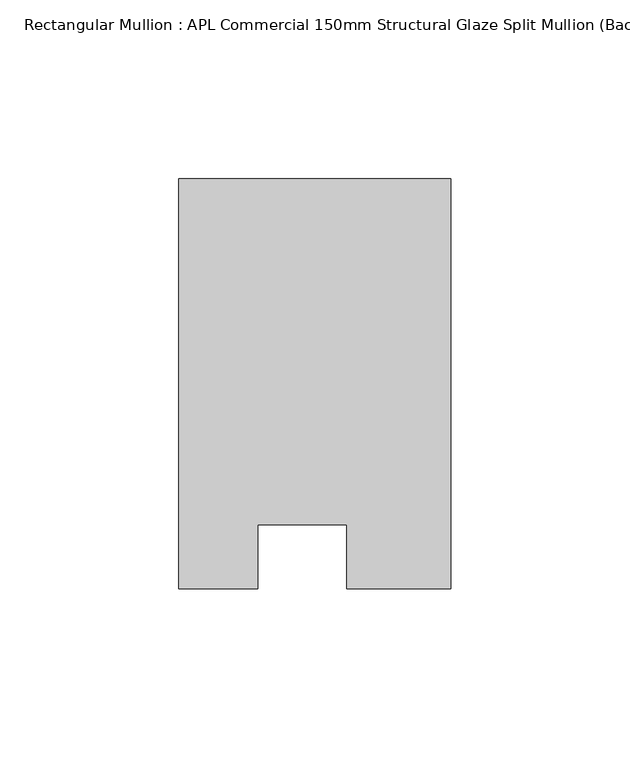
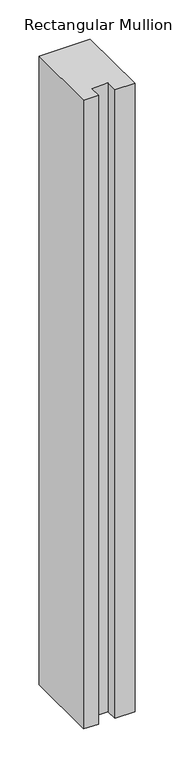
"""IFC4 building model written with IfcOpenShell, lengths in millimetres: member geometry, Rectangular Mullion : APL Commercial 150mm Structural Glaze Split Mullion (Back)."""

import ifcopenshell
import ifcopenshell.guid

model = None  # the IFC model being written
_history = None  # IfcOwnerHistory: only IFC2X3 demands one
_inside = {}  # id of a spatial element -> (the spatial element, [elements in it])
_under = {}  # id of a project, library or spatial element -> (it, [spatial elements below it])
_declared = {}  # id of a project -> (the project, [libraries it declares])
_typed = {}  # id of a type object -> (the type object, [elements of that type])
_made_of = {}  # id of a material, layer set ... -> (it, [elements and type objects made of it])


def new_model(schema):
    """Start an empty IFC model of exactly this schema.

    Asked for "IFC4X3", IfcOpenShell would pick the latest addendum, in which some entities
    have other attributes; the version numbers below select the first issue.
    IFC2X3 requires an IfcOwnerHistory on every rooted entity: one is made here for all.
    """
    global model, _history
    if schema == "IFC4X3":
        model = ifcopenshell.file(schema_version=(4, 3, 0, 0))
    else:
        model = ifcopenshell.file(schema=schema)
    _inside.clear()
    _under.clear()
    _declared.clear()
    _typed.clear()
    _made_of.clear()
    _history = None
    if model.schema == "IFC2X3":
        org = make("IfcOrganization", Name="unknown")
        user = make(
            "IfcPersonAndOrganization",
            ThePerson=make("IfcPerson", FamilyName="unknown"),
            TheOrganization=org,
        )
        app = make(
            "IfcApplication",
            ApplicationDeveloper=org,
            Version="unknown",
            ApplicationFullName="unknown",
            ApplicationIdentifier="unknown",
        )
        _history = make(
            "IfcOwnerHistory",
            OwningUser=user,
            OwningApplication=app,
            ChangeAction="ADDED",
            CreationDate=0,
        )
    return model


def make(cls, **values):
    """One entity of the class cls with the attributes given. An attribute that is None is left unset."""
    return model.create_entity(
        cls, **{name: value for name, value in values.items() if value is not None}
    )


def rooted(cls, **values):
    """An entity with a GlobalId (a new one), such as an element, a storey or a relation."""
    return make(cls, GlobalId=ifcopenshell.guid.new(), OwnerHistory=_history, **values)


def si_unit(unit_type, name, prefix=None):
    """IfcSIUnit, for example si_unit("LENGTHUNIT", "METRE", prefix="MILLI")."""
    return make("IfcSIUnit", UnitType=unit_type, Prefix=prefix, Name=name)


def assignment(units):
    """IfcUnitAssignment: the units of a project."""
    return None if units is None else make("IfcUnitAssignment", Units=units)


def point(xyz):
    """IfcCartesianPoint."""
    return None if xyz is None else make("IfcCartesianPoint", Coordinates=xyz)


def direction(xyz):
    """IfcDirection."""
    return None if xyz is None else make("IfcDirection", DirectionRatios=xyz)


def frame(location, z_axis=None, x_axis=None):
    """IfcAxis2Placement3D, a coordinate frame: its origin and axes. An axis left out is left unset."""
    return make(
        "IfcAxis2Placement3D",
        Location=point(location),
        Axis=direction(z_axis),
        RefDirection=direction(x_axis),
    )


def origin():
    """The frame at (0, 0, 0) with its axes left unset."""
    return frame((0.0, 0.0, 0.0))


def place(relative_to, where):
    """IfcLocalPlacement: puts the frame where relative to a parent placement (None: the world)."""
    return make(
        "IfcLocalPlacement", PlacementRelTo=relative_to, RelativePlacement=where
    )


def context(
    kind, dimensions, precision=None, world=None, true_north=None, identifier=None
):
    """IfcGeometricRepresentationContext, for example the 3D "Model" context."""
    return make(
        "IfcGeometricRepresentationContext",
        ContextIdentifier=identifier,
        ContextType=kind,
        CoordinateSpaceDimension=dimensions,
        Precision=precision,
        WorldCoordinateSystem=world,
        TrueNorth=true_north,
    )


def project(units=None, contexts=None):
    """IfcProject with its units and contexts."""
    return rooted(
        "IfcProject",
        Name="project",
        RepresentationContexts=contexts,
        UnitsInContext=assignment(units),
    )


def spatial(cls, under=None, at=None, **own):
    """A site, building, storey or space (cls), placed at a placement, below another one or the project."""
    s = rooted(cls, ObjectPlacement=at, **own)
    if under is not None:
        _under.setdefault(under.id(), (under, []))[1].append(s)
    return s


def polyline(points):
    """IfcPolyline through the points."""
    return make("IfcPolyline", Points=[point(p) for p in points])


def outline(outer, holes=None, kind="AREA"):
    """IfcArbitraryClosedProfileDef: a profile drawn as a closed curve; with holes, ...WithVoids."""
    if holes is None:
        return make("IfcArbitraryClosedProfileDef", ProfileType=kind, OuterCurve=outer)
    return make(
        "IfcArbitraryProfileDefWithVoids",
        ProfileType=kind,
        OuterCurve=outer,
        InnerCurves=holes,
    )


def extrude(swept, where, along, depth):
    """IfcExtrudedAreaSolid: the profile swept, set in the frame where, extruded along a direction by depth."""
    return make(
        "IfcExtrudedAreaSolid",
        SweptArea=swept,
        Position=where,
        ExtrudedDirection=direction(along),
        Depth=depth,
    )


def shape(context_of_items, identifier, shape_type, items):
    """IfcShapeRepresentation: the items that make up one representation, for example the "Body"."""
    return make(
        "IfcShapeRepresentation",
        ContextOfItems=context_of_items,
        RepresentationIdentifier=identifier,
        RepresentationType=shape_type,
        Items=items,
    )


def source(mapping_origin, context_of_items, identifier, shape_type, items):
    """IfcRepresentationMap: a shape defined once, which mapped items show again and again."""
    return make(
        "IfcRepresentationMap",
        MappingOrigin=mapping_origin,
        MappedRepresentation=shape(context_of_items, identifier, shape_type, items),
    )


def transform(
    local_origin,
    x_axis=None,
    y_axis=None,
    z_axis=None,
    scale=None,
    scale2=None,
    scale3=None,
    uniform=True,
):
    """IfcCartesianTransformationOperator3D, or its non-uniform kind. x_axis, y_axis, z_axis: its Axis1, 2, 3."""
    if uniform:
        return make(
            "IfcCartesianTransformationOperator3D",
            Axis1=direction(x_axis),
            Axis2=direction(y_axis),
            LocalOrigin=point(local_origin),
            Scale=scale,
            Axis3=direction(z_axis),
        )
    return make(
        "IfcCartesianTransformationOperator3DnonUniform",
        Axis1=direction(x_axis),
        Axis2=direction(y_axis),
        LocalOrigin=point(local_origin),
        Scale=scale,
        Axis3=direction(z_axis),
        Scale2=scale2,
        Scale3=scale3,
    )


def mapped(mapping_source, mapping_target):
    """IfcMappedItem: shows the shape of a source again, moved by a transform."""
    return make(
        "IfcMappedItem", MappingSource=mapping_source, MappingTarget=mapping_target
    )


def made_of(thing, what):
    """Note that an element or type object is made of a material, layer set ...; save() writes the relation."""
    if what is not None:
        _made_of.setdefault(what.id(), (what, []))[1].append(thing)
    return thing


def element(
    cls,
    number,
    at=None,
    inside=None,
    cuts=None,
    type_object=None,
    material=None,
    context=None,
    identifier="Body",
    shape_type=None,
    held_by="IfcProductDefinitionShape",
    body=None,
    shapes=None,
    **own,
):
    """One element of the class cls, such as IfcWall. Its Tag is "e" and its number.

    at: its placement. inside: the storey or other place that contains it. cuts: it is an
    opening in that element (IfcRelVoidsElement). A single representation is given by context,
    identifier, shape_type and body (its items); several are given by shapes. held_by: the class
    of the entity that holds the representations. save() writes the other relations.
    """
    e = rooted(cls, Tag="e%d" % number, ObjectPlacement=at, **own)
    if body is not None:
        shapes = [shape(context, identifier, shape_type, body)]
    if shapes is not None:
        e.Representation = make(held_by, Representations=shapes)
    if inside is not None:
        _inside.setdefault(inside.id(), (inside, []))[1].append(e)
    if cuts is not None:
        rooted(
            "IfcRelVoidsElement", RelatingBuildingElement=cuts, RelatedOpeningElement=e
        )
    if type_object is not None:
        _typed.setdefault(type_object.id(), (type_object, []))[1].append(e)
    return made_of(e, material)


def aggregate(whole, parts):
    """IfcRelAggregates: a whole, such as a stair, and the parts it consists of."""
    return rooted("IfcRelAggregates", RelatingObject=whole, RelatedObjects=parts)


def save(model, path):
    """Write the relations noted so far, then the file.

    IfcRelAggregates (storeys below a building ...), IfcRelContainedInSpatialStructure (elements
    in a storey), IfcRelDefinesByType, IfcRelAssociatesMaterial and IfcRelDeclares: one each for
    every whole, place, type object, material and project.
    """
    for whole, parts in _under.values():
        aggregate(whole, parts)
    for where, things in _inside.values():
        rooted(
            "IfcRelContainedInSpatialStructure",
            RelatedElements=things,
            RelatingStructure=where,
        )
    for kind, things in _typed.values():
        rooted("IfcRelDefinesByType", RelatedObjects=things, RelatingType=kind)
    for what, things in _made_of.values():
        rooted("IfcRelAssociatesMaterial", RelatedObjects=things, RelatingMaterial=what)
    for by, libraries in _declared.values():
        rooted("IfcRelDeclares", RelatingContext=by, RelatedDefinitions=libraries)
    model.write(path)


def rectangular_mullion_apl_commercial_150mm_structural_glaze_ef1bb211(model_context):
    return source(origin(), model_context, "Body", "SweptSolid", [
        extrude(outline(polyline([(37.9999914, 129.5195626), (37.9999914, 14.9960123), (9.0, 14.9960123), (9.0, 32.7960123), (-16.0, 32.7960123), (-16.0, 14.9960123), (-37.9999896, 14.9960123), (-37.9999896, 129.5195626), (37.9999914, 129.5195626)])), frame((0.0, 0.0, -983.6595328), z_axis=(0.0, 0.0, 1.0), x_axis=(1.0, 0.0, 0.0)), (0.0, 0.0, 1.0), 983.6595328),
    ])


if __name__ == "__main__":
    model = new_model("IFC4")
    model_context = context("Model", 3, world=origin())
    ifc_project = project(units=[si_unit("LENGTHUNIT", "METRE", prefix="MILLI")], contexts=[model_context])
    site = spatial("IfcSite", under=ifc_project)
    building = spatial("IfcBuilding", under=site)
    placement = place(None, origin())
    rectangular_mullion_apl_commercial_150mm_structural_glaze_shape = rectangular_mullion_apl_commercial_150mm_structural_glaze_ef1bb211(model_context)
    element("IfcMember", 1, ObjectType="Rectangular Mullion : APL Commercial 150mm Structural Glaze Split Mullion (Back)", at=placement, inside=building, context=model_context, shape_type="MappedRepresentation", body=[
        mapped(rectangular_mullion_apl_commercial_150mm_structural_glaze_shape, transform((0.0, 0.0, 0.0), x_axis=(1.0, 0.0, 0.0), y_axis=(0.0, 1.0, 0.0), z_axis=(0.0, 0.0, 1.0))),
    ])
    save(model, "model.ifc")
